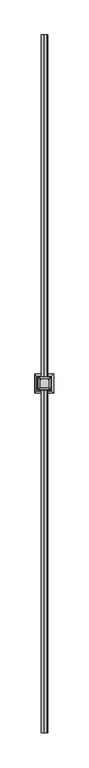
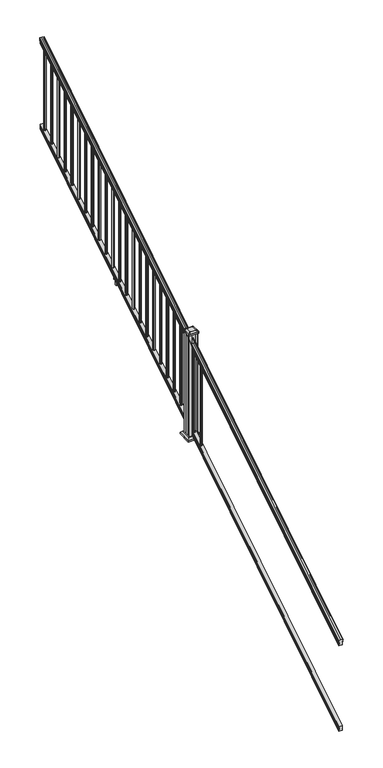
"""IFC4 building model written with IfcOpenShell, lengths in millimetres: railing geometry."""

from ifc_helpers import new_model, si_unit, point, frame, frame_2d, origin, place, context, project, spatial, polyline, circle_curve, ellipse_curve, trimmed, segment, composite_curve, outline, extrude, faceted_brep, source, transform, mapped, element, save
from ifc_brep_helpers import plane_surface, cylinder_surface, revolved_surface, extruded_surface, advanced_brep


def railing_b69a4a4c(model_context):
    return source(origin(), model_context, "Body", "SolidModel", [
        advanced_brep(
        [(7615.0270946, -16813.8194681, 1133.2070492), (7615.0270946, -16813.8194681, 1135.4335658), (7616.1572809, -16813.8194681, 1137.2758543), (7616.1572809, -16813.8194681, 1145.7876358), (7615.5080245, -16813.8194681, 1148.6572588), (7618.0080245, -16813.8194681, 1153.7635509), (7619.417367, -16813.8194681, 1155.7442021), (7619.819266, -16813.8194681, 1157.0469579), (7619.8192659, -16813.8194681, 1158.6274846), (7618.2658186, -16813.8194681, 1160.4593836), (7597.5942659, -16813.8194681, 1160.4593836), (7576.9227131, -16813.8194681, 1160.4593836), (7575.3692659, -16813.8194681, 1158.6274846), (7575.3692659, -16813.8194681, 1157.0469579), (7575.7711648, -16813.8194681, 1155.7442021), (7577.1805072, -16813.8194681, 1153.7635509), (7579.6805072, -16813.8194681, 1148.6572588), (7579.0312508, -16813.8194681, 1145.7876358), (7579.0312508, -16813.8194681, 1137.2758543), (7580.1614371, -16813.8194681, 1135.4335658), (7580.1614371, -16813.8194681, 1133.2070492), (7582.7352659, -16813.8194681, 1133.2070492), (7582.7352659, -16813.8194681, 1120.825537), (7581.7192659, -16813.8194681, 1119.6274214), (7581.7192659, -16813.8194681, 1104.9), (7613.4692659, -16813.8194681, 1104.9), (7613.4692659, -16813.8194681, 1119.441318), (7612.4532659, -16813.8194681, 1120.6394336), (7612.4532659, -16813.8194681, 1133.2070492), (7615.0270946, -11937.0194681, 4181.2070492), (7612.4532659, -11937.0194681, 4181.2070492), (7612.4532659, -11937.0194681, 4168.6394336), (7613.4692659, -11937.0194681, 4167.441318), (7613.4692659, -11937.0194681, 4152.9), (7581.7192659, -11937.0194681, 4152.9), (7581.7192659, -11937.0194681, 4167.6274214), (7582.7352659, -11937.0194681, 4168.825537), (7582.7352659, -11937.0194681, 4181.2070492), (7580.1614371, -11937.0194681, 4181.2070492), (7580.1614371, -11937.0194681, 4183.4335658), (7579.0312508, -11937.0194681, 4185.2758543), (7579.0312508, -11937.0194681, 4193.7876358), (7579.6805072, -11937.0194681, 4196.6572588), (7577.1805072, -11937.0194681, 4201.7635509), (7575.7711648, -11937.0194681, 4203.7442021), (7575.3692658, -11937.0194681, 4205.0469579), (7575.3692659, -11937.0194681, 4206.6274846), (7576.9227131, -11937.0194681, 4208.4593836), (7597.5942659, -11937.0194681, 4208.4593836), (7618.2658186, -11937.0194681, 4208.4593836), (7619.8192659, -11937.0194681, 4206.6274846), (7619.8192659, -11937.0194681, 4205.0469579), (7619.417367, -11937.0194681, 4203.7442021), (7618.0080245, -11937.0194681, 4201.7635509), (7615.5080245, -11937.0194681, 4196.6572588), (7616.1572809, -11937.0194681, 4193.7876358), (7616.1572809, -11937.0194681, 4185.2758543), (7615.0270946, -11937.0194681, 4183.4335658)],
        [
            (0, 1),
            (1, 2, ellipse_curve(frame((7608.7123413, -16813.8194681, 1142.2239405), z_axis=(0.0, -1.0, 0.0), x_axis=(0.0, 0.0, -1.0)), 10.0777926, 8.545951)),
            (2, 3, ellipse_curve(frame((7609.1494043, -16813.8194681, 1141.5317451), z_axis=(0.0, -1.0, 0.0), x_axis=(0.0, 0.0, -1.0)), 9.2955186, 7.882584)),
            (3, 4, ellipse_curve(frame((7619.6627284, -16813.8194681, 1148.4275077), z_axis=(0.0, 1.0, 0.0), x_axis=(0.0, 0.0, 1.0)), 4.9048088, 4.1592695)),
            (4, 5, ellipse_curve(frame((7620.950035, -16813.8194681, 1148.3563208), z_axis=(0.0, 1.0, 0.0), x_axis=(0.0, 0.0, 1.0)), 6.4245301, 5.4479907)),
            (5, 6, ellipse_curve(frame((7619.7168765, -16813.8194681, 1153.7602333), z_axis=(0.0, 1.0, 0.0), x_axis=(0.0, 0.0, 1.0)), 2.0151625, 1.7088543)),
            (6, 7, ellipse_curve(frame((7618.0999764, -16813.8194681, 1157.0469579), z_axis=(0.0, -1.0, 0.0), x_axis=(0.0, 0.0, -1.0)), 2.0274681, 1.7192895)),
            (7, 8),
            (8, 9, ellipse_curve(frame((7618.2658186, -16813.8194681, 1158.6274846), z_axis=(0.0, -1.0, 0.0), x_axis=(0.0, 0.0, -1.0)), 1.831899, 1.5534472)),
            (9, 10),
            (10, 11),
            (11, 12, ellipse_curve(frame((7576.9227131, -16813.8194681, 1158.6274846), z_axis=(0.0, -1.0, 0.0), x_axis=(0.0, 0.0, -1.0)), 1.831899, 1.5534472)),
            (12, 13),
            (13, 14, ellipse_curve(frame((7577.0885553, -16813.8194681, 1157.0469579), z_axis=(0.0, -1.0, 0.0), x_axis=(0.0, 0.0, -1.0)), 2.0274681, 1.7192895)),
            (14, 15, ellipse_curve(frame((7575.4716552, -16813.8194681, 1153.7602333), z_axis=(0.0, 1.0, 0.0), x_axis=(0.0, 0.0, 1.0)), 2.0151625, 1.7088543)),
            (15, 16, ellipse_curve(frame((7574.2384968, -16813.8194681, 1148.3563208), z_axis=(0.0, 1.0, 0.0), x_axis=(0.0, 0.0, 1.0)), 6.4245301, 5.4479907)),
            (16, 17, ellipse_curve(frame((7575.5258033, -16813.8194681, 1148.4275077), z_axis=(0.0, 1.0, 0.0), x_axis=(0.0, 0.0, 1.0)), 4.9048088, 4.1592695)),
            (17, 18, ellipse_curve(frame((7586.0391275, -16813.8194681, 1141.5317451), z_axis=(0.0, -1.0, 0.0), x_axis=(0.0, 0.0, -1.0)), 9.2955186, 7.882584)),
            (18, 19, ellipse_curve(frame((7586.4761904, -16813.8194681, 1142.2239405), z_axis=(0.0, -1.0, 0.0), x_axis=(0.0, 0.0, -1.0)), 10.0777926, 8.545951)),
            (19, 20),
            (20, 21, ellipse_curve(frame((7581.4483515, -16813.8194681, 1133.2070492), z_axis=(0.0, -1.0, 0.0), x_axis=(0.0, 0.0, -1.0)), 1.5175907, 1.2869144)),
            (21, 22),
            (22, 23),
            (23, 24),
            (24, 25),
            (25, 26),
            (26, 27),
            (27, 28),
            (28, 0, ellipse_curve(frame((7613.7401802, -16813.8194681, 1133.2070492), z_axis=(0.0, -1.0, 0.0), x_axis=(0.0, 0.0, -1.0)), 1.5175907, 1.2869144)),
            (29, 30, ellipse_curve(frame((7613.7401802, -11937.0194681, 4181.2070492), z_axis=(0.0, 1.0, 0.0), x_axis=(0.0, 0.0, -1.0)), 1.5175907, 1.2869144)),
            (30, 31),
            (31, 32),
            (32, 33),
            (33, 34),
            (34, 35),
            (35, 36),
            (36, 37),
            (37, 38, ellipse_curve(frame((7581.4483515, -11937.0194681, 4181.2070492), z_axis=(0.0, 1.0, 0.0), x_axis=(0.0, 0.0, -1.0)), 1.5175907, 1.2869144)),
            (38, 39),
            (39, 40, ellipse_curve(frame((7586.4761904, -11937.0194681, 4190.2239405), z_axis=(0.0, 1.0, 0.0), x_axis=(0.0, 0.0, -1.0)), 10.0777926, 8.545951)),
            (40, 41, ellipse_curve(frame((7586.0391275, -11937.0194681, 4189.5317451), z_axis=(0.0, 1.0, 0.0), x_axis=(0.0, 0.0, -1.0)), 9.2955186, 7.882584)),
            (41, 42, ellipse_curve(frame((7575.5258033, -11937.0194681, 4196.4275077), z_axis=(0.0, -1.0, 0.0), x_axis=(0.0, 0.0, 1.0)), 4.9048088, 4.1592695)),
            (42, 43, ellipse_curve(frame((7574.2384968, -11937.0194681, 4196.3563208), z_axis=(0.0, -1.0, 0.0), x_axis=(0.0, 0.0, 1.0)), 6.4245301, 5.4479907)),
            (43, 44, ellipse_curve(frame((7575.4716552, -11937.0194681, 4201.7602333), z_axis=(0.0, -1.0, 0.0), x_axis=(0.0, 0.0, 1.0)), 2.0151625, 1.7088543)),
            (44, 45, ellipse_curve(frame((7577.0885553, -11937.0194681, 4205.0469579), z_axis=(0.0, 1.0, 0.0), x_axis=(0.0, 0.0, -1.0)), 2.0274681, 1.7192895)),
            (45, 46),
            (46, 47, ellipse_curve(frame((7576.9227131, -11937.0194681, 4206.6274846), z_axis=(0.0, 1.0, 0.0), x_axis=(0.0, 0.0, -1.0)), 1.831899, 1.5534472)),
            (47, 48),
            (48, 49),
            (49, 50, ellipse_curve(frame((7618.2658186, -11937.0194681, 4206.6274846), z_axis=(0.0, 1.0, 0.0), x_axis=(0.0, 0.0, -1.0)), 1.831899, 1.5534472)),
            (50, 51),
            (51, 52, ellipse_curve(frame((7618.0999764, -11937.0194681, 4205.0469579), z_axis=(0.0, 1.0, 0.0), x_axis=(0.0, 0.0, -1.0)), 2.0274681, 1.7192895)),
            (52, 53, ellipse_curve(frame((7619.7168765, -11937.0194681, 4201.7602333), z_axis=(0.0, -1.0, 0.0), x_axis=(0.0, 0.0, 1.0)), 2.0151625, 1.7088543)),
            (53, 54, ellipse_curve(frame((7620.950035, -11937.0194681, 4196.3563208), z_axis=(0.0, -1.0, 0.0), x_axis=(0.0, 0.0, 1.0)), 6.4245301, 5.4479907)),
            (54, 55, ellipse_curve(frame((7619.6627284, -11937.0194681, 4196.4275077), z_axis=(0.0, -1.0, 0.0), x_axis=(0.0, 0.0, 1.0)), 4.9048088, 4.1592695)),
            (55, 56, ellipse_curve(frame((7609.1494043, -11937.0194681, 4189.5317451), z_axis=(0.0, 1.0, 0.0), x_axis=(0.0, 0.0, -1.0)), 9.2955186, 7.882584)),
            (56, 57, ellipse_curve(frame((7608.7123413, -11937.0194681, 4190.2239405), z_axis=(0.0, 1.0, 0.0), x_axis=(0.0, 0.0, -1.0)), 10.0777926, 8.545951)),
            (57, 29),
            (0, 29),
            (57, 1),
            (56, 2),
            (55, 3),
            (54, 4),
            (53, 5),
            (52, 6),
            (51, 7),
            (50, 8),
            (49, 9),
            (48, 10),
            (47, 11),
            (46, 12),
            (45, 13),
            (44, 14),
            (43, 15),
            (42, 16),
            (41, 17),
            (40, 18),
            (39, 19),
            (38, 20),
            (37, 21),
            (36, 22),
            (35, 23),
            (34, 24),
            (33, 25),
            (32, 26),
            (31, 27),
            (30, 28),
        ],
        [
            plane_surface(frame((7597.5942659, -16813.8194681, 1104.9), z_axis=(0.0, -1.0, 0.0), x_axis=(0.0, 0.0, 1.0))),
            plane_surface(frame((7597.5942659, -11937.0194681, 4152.9), z_axis=(0.0, 1.0, 0.0), x_axis=(0.0, 0.0, 1.0))),
            plane_surface(frame((7615.0270946, -16813.8194681, 1133.2070492), z_axis=(1.0, 0.0, 0.0), x_axis=(0.0, 0.8479983040051254, 0.5299989400031202))),
            cylinder_surface(frame((7608.7123413, -16830.5942728, 1131.7396876), z_axis=(0.0, -0.8479983040051254, -0.5299989400031202), x_axis=(-1.0, 0.0, 0.0)), 8.545951),
            cylinder_surface(frame((7609.1494043, -16830.2831737, 1131.241929), z_axis=(0.0, -0.8479983040051254, -0.5299989400031202), x_axis=(-1.0, 0.0, 0.0)), 7.882584),
            revolved_surface(polyline([(7615.5034589, -11934.815059650346, 4197.805262980553), (7615.5034589, -16816.023876549436, 1147.0497524191003)]), (7619.6627284, -16833.3823929, 1136.2006797), (0.0, 0.8479983040051254, 0.5299989400031202)),
            revolved_surface(polyline([(7615.502044299999, -11934.132038835738, 4198.160964077183), (7615.502044299999, -16816.706897352808, 1146.5516775044946)]), (7620.950035, -16833.3503988, 1136.1494891), (0.0, 0.8479983040051254, 0.5299989400031202)),
            revolved_surface(polyline([(7618.0080222, -11936.113777099781, 4202.326290199655), (7618.0080222, -16814.72515912247, 1153.1941764359544)]), (7619.7168765, -16835.7791235, 1140.0354487), (0.0, 0.8479983040051254, 0.5299989400031202)),
            cylinder_surface(frame((7618.0999764, -16837.2563031, 1142.398936), z_axis=(0.0, -0.8479983040051254, -0.5299989400031202), x_axis=(-1.0, 0.0, 0.0)), 1.7192895),
            plane_surface(frame((7619.8192659, -16813.8194681, 1157.0469579), z_axis=(1.0, 0.0, 0.0), x_axis=(0.0, 0.8479983040051253, 0.5299989400031202))),
            cylinder_surface(frame((7618.2658186, -16837.9666522, 1143.5354945), z_axis=(0.0, -0.8479983040051254, -0.5299989400031202), x_axis=(-1.0, 0.0, 0.0)), 1.5534472),
            plane_surface(frame((7618.2658186, -16813.8194681, 1160.4593836), z_axis=(0.0, -0.5299989400031202, 0.8479983040051254), x_axis=(0.0, 0.8479983040051254, 0.5299989400031202))),
            plane_surface(frame((7597.5942659, -16813.8194681, 1160.4593836), z_axis=(0.0, -0.5299989400031202, 0.8479983040051254), x_axis=(0.0, 0.8479983040051254, 0.5299989400031202))),
            cylinder_surface(frame((7576.9227131, -16837.9666522, 1143.5354945), z_axis=(0.0, -0.8479983040051254, -0.5299989400031202), x_axis=(1.0, 0.0, 0.0)), 1.5534472),
            plane_surface(frame((7575.3692659, -16813.8194681, 1158.6274846), z_axis=(-1.0, 0.0, 0.0), x_axis=(0.0, 0.8479983040051254, 0.5299989400031201))),
            cylinder_surface(frame((7577.0885553, -16837.2563031, 1142.398936), z_axis=(0.0, -0.8479983040051254, -0.5299989400031202), x_axis=(1.0, 0.0, 0.0)), 1.7192895),
            revolved_surface(polyline([(7577.1805095, -11936.113777099781, 4202.326290199655), (7577.1805095, -16814.72515912247, 1153.1941764359544)]), (7575.4716552, -16835.7791235, 1140.0354487), (0.0, 0.8479983040051254, 0.5299989400031202)),
            revolved_surface(polyline([(7579.6864875, -11934.132038835738, 4198.160964077183), (7579.6864875, -16816.706897352808, 1146.5516775044946)]), (7574.2384968, -16833.3503988, 1136.1494891), (0.0, 0.8479983040051254, 0.5299989400031202)),
            revolved_surface(polyline([(7579.6850728, -11934.815059650346, 4197.805262980553), (7579.6850728, -16816.023876549436, 1147.0497524191003)]), (7575.5258033, -16833.3823929, 1136.2006797), (0.0, 0.8479983040051254, 0.5299989400031202)),
            cylinder_surface(frame((7586.0391275, -16830.2831737, 1131.241929), z_axis=(0.0, -0.8479983040051254, -0.5299989400031202), x_axis=(1.0, 0.0, 0.0)), 7.882584),
            cylinder_surface(frame((7586.4761904, -16830.5942728, 1131.7396876), z_axis=(0.0, -0.8479983040051254, -0.5299989400031202), x_axis=(1.0, 0.0, 0.0)), 8.545951),
            plane_surface(frame((7580.1614371, -16813.8194681, 1135.4335658), z_axis=(-1.0, 0.0, 0.0), x_axis=(0.0, 0.8479983040051254, 0.5299989400031202))),
            cylinder_surface(frame((7581.4483515, -16826.5417374, 1125.2556309), z_axis=(0.0, -0.8479983040051254, -0.5299989400031202), x_axis=(1.0, 0.0, 0.0)), 1.2869144),
            plane_surface(frame((7582.7352659, -16813.8194681, 1133.2070492), z_axis=(-1.0, 0.0, 0.0), x_axis=(0.0, 0.8479983040051254, 0.5299989400031202))),
            plane_surface(frame((7582.7352659, -16813.8194681, 1120.825537), z_axis=(-0.7071067811865439, -0.3747658444978897, 0.5996253511967193), x_axis=(0.0, 0.8479983040051254, 0.5299989400031202))),
            plane_surface(frame((7581.7192659, -16813.8194681, 1119.6274214), z_axis=(-1.0, 0.0, 0.0), x_axis=(0.0, 0.8479983040051254, 0.5299989400031201))),
            plane_surface(frame((7581.7192659, -16813.8194681, 1104.9), z_axis=(0.0, 0.5299989400031202, -0.8479983040051253), x_axis=(0.0, 0.8479983040051253, 0.5299989400031202))),
            plane_surface(frame((7613.4692659, -16813.8194681, 1104.9), z_axis=(1.0, 0.0, 0.0), x_axis=(0.0, 0.8479983040051254, 0.5299989400031202))),
            plane_surface(frame((7613.4692659, -16813.8194681, 1119.441318), z_axis=(0.707106781186539, -0.3747658444978937, 0.5996253511967224), x_axis=(0.0, 0.8479983040051254, 0.5299989400031201))),
            plane_surface(frame((7612.4532659, -16813.8194681, 1120.6394336), z_axis=(1.0, 0.0, 0.0), x_axis=(0.0, 0.8479983040051254, 0.5299989400031202))),
            cylinder_surface(frame((7613.7401802, -16826.5417374, 1125.2556309), z_axis=(0.0, -0.8479983040051254, -0.5299989400031202), x_axis=(-1.0, 0.0, 0.0)), 1.2869144),
        ],
        [
            (0, [[1, 2, 3, 4, 5, 6, 7, 8, 9, 10, 11, 12, 13, 14, 15, 16, 17, 18, 19, 20, 21, 22, 23, 24, 25, 26, 27, 28, 29]]),
            (1, [[30, 31, 32, 33, 34, 35, 36, 37, 38, 39, 40, 41, 42, 43, 44, 45, 46, 47, 48, 49, 50, 51, 52, 53, 54, 55, 56, 57, 58]]),
            (2, [[-1, 59, -58, 60]]),
            (3, [[-2, -60, -57, 61]]),
            (4, [[-3, -61, -56, 62]]),
            (5, [[-4, -62, -55, 63]]),
            (6, [[-5, -63, -54, 64]]),
            (7, [[-6, -64, -53, 65]]),
            (8, [[-7, -65, -52, 66]]),
            (9, [[-8, -66, -51, 67]]),
            (10, [[-9, -67, -50, 68]]),
            (11, [[-10, -68, -49, 69]]),
            (12, [[-11, -69, -48, 70]]),
            (13, [[-12, -70, -47, 71]]),
            (14, [[-13, -71, -46, 72]]),
            (15, [[-14, -72, -45, 73]]),
            (16, [[-15, -73, -44, 74]]),
            (17, [[-16, -74, -43, 75]]),
            (18, [[-17, -75, -42, 76]]),
            (19, [[-18, -76, -41, 77]]),
            (20, [[-19, -77, -40, 78]]),
            (21, [[-20, -78, -39, 79]]),
            (22, [[-21, -79, -38, 80]]),
            (23, [[-22, -80, -37, 81]]),
            (24, [[-23, -81, -36, 82]]),
            (25, [[-24, -82, -35, 83]]),
            (26, [[-25, -83, -34, 84]]),
            (27, [[-26, -84, -33, 85]]),
            (28, [[-27, -85, -32, 86]]),
            (29, [[-28, -86, -31, 87]]),
            (30, [[-29, -87, -30, -59]]),
        ],
    ),
        faceted_brep([(7613.5067528, -16813.8194681, 268.8045079), (7612.4907528, -16813.8194681, 270.338026), (7612.4907528, -16813.8194681, 282.5545048), (7613.5067528, -16813.8194681, 284.1444579), (7613.5067528, -16813.8194681, 298.9244744), (7581.7567528, -16813.8194681, 298.9244744), (7581.7567528, -16813.8194681, 284.1248272), (7582.7727528, -16813.8194681, 282.5348741), (7582.7727528, -16813.8194681, 270.3748303), (7581.7567528, -16813.8194681, 268.7848772), (7581.7567528, -16813.8194681, 254.0), (7613.5067528, -16813.8194681, 254.0), (7613.5067528, -11937.0194681, 3316.8045079), (7613.5067528, -11937.0194681, 3302.0), (7581.7567528, -11937.0194681, 3302.0), (7581.7567528, -11937.0194681, 3316.7848772), (7582.7727528, -11937.0194681, 3318.3748303), (7582.7727528, -11937.0194681, 3330.5348741), (7581.7567528, -11937.0194681, 3332.1248272), (7581.7567528, -11937.0194681, 3346.9244744), (7613.5067528, -11937.0194681, 3346.9244744), (7613.5067528, -11937.0194681, 3332.1444579), (7612.4907528, -11937.0194681, 3330.5545048), (7612.4907528, -11937.0194681, 3318.338026)], [[[0, 1, 2, 3, 4, 5, 6, 7, 8, 9, 10, 11]], [[12, 13, 14, 15, 16, 17, 18, 19, 20, 21, 22, 23]], [[1, 0, 12, 23]], [[2, 1, 23, 22]], [[3, 2, 22, 21]], [[4, 3, 21, 20]], [[5, 4, 20, 19]], [[6, 5, 19, 18]], [[7, 6, 18, 17]], [[8, 7, 17, 16]], [[9, 8, 16, 15]], [[10, 9, 15, 14]], [[11, 10, 14, 13]], [[0, 11, 13, 12]]]),
        extrude(outline(composite_curve([segment(trimmed(circle_curve(frame_2d((7597.5942659, -11984.2634681)), 9.525), [point((7607.1192659, -11984.2634681))], [point((7597.5942659, -11993.7884681))], False, "CARTESIAN"), True, "CONTINUOUS"), segment(trimmed(circle_curve(frame_2d((7597.5942659, -11984.2634681)), 9.525), [point((7597.5942659, -11993.7884681))], [point((7588.0692659, -11984.2634681))], False, "CARTESIAN"), True, "CONTINUOUS"), segment(trimmed(circle_curve(frame_2d((7597.5942659, -11984.2634681)), 9.525), [point((7588.0692659, -11984.2634681))], [point((7597.5942659, -11974.7384681))], False, "CARTESIAN"), True, "CONTINUOUS"), segment(trimmed(circle_curve(frame_2d((7597.5942659, -11984.2634681)), 9.525), [point((7597.5942659, -11974.7384681))], [point((7607.1192659, -11984.2634681))], False, "CARTESIAN"), True, "CONTINUOUS")], self_intersect=False)), frame((0.0, 0.0, 3310.5683781), z_axis=(0.0, 0.0, 1.0), x_axis=(1.0, 0.0, 0.0)), (0.0, 0.0, 1.0), 812.8041219),
        extrude(outline(composite_curve([segment(trimmed(circle_curve(frame_2d((7597.5942659, -12095.5154681)), 9.525), [point((7607.1192659, -12095.5154681))], [point((7597.5942659, -12105.0404681))], False, "CARTESIAN"), True, "CONTINUOUS"), segment(trimmed(circle_curve(frame_2d((7597.5942659, -12095.5154681)), 9.525), [point((7597.5942659, -12105.0404681))], [point((7588.0692659, -12095.5154681))], False, "CARTESIAN"), True, "CONTINUOUS"), segment(trimmed(circle_curve(frame_2d((7597.5942659, -12095.5154681)), 9.525), [point((7588.0692659, -12095.5154681))], [point((7597.5942659, -12085.9904681))], False, "CARTESIAN"), True, "CONTINUOUS"), segment(trimmed(circle_curve(frame_2d((7597.5942659, -12095.5154681)), 9.525), [point((7597.5942659, -12085.9904681))], [point((7607.1192659, -12095.5154681))], False, "CARTESIAN"), True, "CONTINUOUS")], self_intersect=False)), frame((0.0, 0.0, 3241.0358781), z_axis=(0.0, 0.0, 1.0), x_axis=(1.0, 0.0, 0.0)), (0.0, 0.0, 1.0), 812.8041219),
        extrude(outline(composite_curve([segment(trimmed(circle_curve(frame_2d((7597.5942659, -12206.7674681)), 9.525), [point((7607.1192659, -12206.7674681))], [point((7597.5942659, -12216.2924681))], False, "CARTESIAN"), True, "CONTINUOUS"), segment(trimmed(circle_curve(frame_2d((7597.5942659, -12206.7674681)), 9.525), [point((7597.5942659, -12216.2924681))], [point((7588.0692659, -12206.7674681))], False, "CARTESIAN"), True, "CONTINUOUS"), segment(trimmed(circle_curve(frame_2d((7597.5942659, -12206.7674681)), 9.525), [point((7588.0692659, -12206.7674681))], [point((7597.5942659, -12197.2424681))], False, "CARTESIAN"), True, "CONTINUOUS"), segment(trimmed(circle_curve(frame_2d((7597.5942659, -12206.7674681)), 9.525), [point((7597.5942659, -12197.2424681))], [point((7607.1192659, -12206.7674681))], False, "CARTESIAN"), True, "CONTINUOUS")], self_intersect=False)), frame((0.0, 0.0, 3171.5033781), z_axis=(0.0, 0.0, 1.0), x_axis=(1.0, 0.0, 0.0)), (0.0, 0.0, 1.0), 812.8041219),
        extrude(outline(composite_curve([segment(trimmed(circle_curve(frame_2d((7597.5942659, -12318.0194681)), 9.525), [point((7607.1192659, -12318.0194681))], [point((7597.5942659, -12327.5444681))], False, "CARTESIAN"), True, "CONTINUOUS"), segment(trimmed(circle_curve(frame_2d((7597.5942659, -12318.0194681)), 9.525), [point((7597.5942659, -12327.5444681))], [point((7588.0692659, -12318.0194681))], False, "CARTESIAN"), True, "CONTINUOUS"), segment(trimmed(circle_curve(frame_2d((7597.5942659, -12318.0194681)), 9.525), [point((7588.0692659, -12318.0194681))], [point((7597.5942659, -12308.4944681))], False, "CARTESIAN"), True, "CONTINUOUS"), segment(trimmed(circle_curve(frame_2d((7597.5942659, -12318.0194681)), 9.525), [point((7597.5942659, -12308.4944681))], [point((7607.1192659, -12318.0194681))], False, "CARTESIAN"), True, "CONTINUOUS")], self_intersect=False)), frame((0.0, 0.0, 3101.9708781), z_axis=(0.0, 0.0, 1.0), x_axis=(1.0, 0.0, 0.0)), (0.0, 0.0, 1.0), 812.8041219),
        extrude(outline(composite_curve([segment(trimmed(circle_curve(frame_2d((7597.5942659, -12429.2714681)), 9.525), [point((7607.1192659, -12429.2714681))], [point((7597.5942659, -12438.7964681))], False, "CARTESIAN"), True, "CONTINUOUS"), segment(trimmed(circle_curve(frame_2d((7597.5942659, -12429.2714681)), 9.525), [point((7597.5942659, -12438.7964681))], [point((7588.0692659, -12429.2714681))], False, "CARTESIAN"), True, "CONTINUOUS"), segment(trimmed(circle_curve(frame_2d((7597.5942659, -12429.2714681)), 9.525), [point((7588.0692659, -12429.2714681))], [point((7597.5942659, -12419.7464681))], False, "CARTESIAN"), True, "CONTINUOUS"), segment(trimmed(circle_curve(frame_2d((7597.5942659, -12429.2714681)), 9.525), [point((7597.5942659, -12419.7464681))], [point((7607.1192659, -12429.2714681))], False, "CARTESIAN"), True, "CONTINUOUS")], self_intersect=False)), frame((0.0, 0.0, 3032.4383781), z_axis=(0.0, 0.0, 1.0), x_axis=(1.0, 0.0, 0.0)), (0.0, 0.0, 1.0), 812.8041219),
        extrude(outline(composite_curve([segment(trimmed(circle_curve(frame_2d((7597.5942659, -12540.5234681)), 9.525), [point((7607.1192659, -12540.5234681))], [point((7597.5942659, -12550.0484681))], False, "CARTESIAN"), True, "CONTINUOUS"), segment(trimmed(circle_curve(frame_2d((7597.5942659, -12540.5234681)), 9.525), [point((7597.5942659, -12550.0484681))], [point((7588.0692659, -12540.5234681))], False, "CARTESIAN"), True, "CONTINUOUS"), segment(trimmed(circle_curve(frame_2d((7597.5942659, -12540.5234681)), 9.525), [point((7588.0692659, -12540.5234681))], [point((7597.5942659, -12530.9984681))], False, "CARTESIAN"), True, "CONTINUOUS"), segment(trimmed(circle_curve(frame_2d((7597.5942659, -12540.5234681)), 9.525), [point((7597.5942659, -12530.9984681))], [point((7607.1192659, -12540.5234681))], False, "CARTESIAN"), True, "CONTINUOUS")], self_intersect=False)), frame((0.0, 0.0, 2962.9058781), z_axis=(0.0, 0.0, 1.0), x_axis=(1.0, 0.0, 0.0)), (0.0, 0.0, 1.0), 812.8041219),
        extrude(outline(composite_curve([segment(trimmed(circle_curve(frame_2d((7597.5942659, -12651.7754681)), 9.525), [point((7607.1192659, -12651.7754681))], [point((7597.5942659, -12661.3004681))], False, "CARTESIAN"), True, "CONTINUOUS"), segment(trimmed(circle_curve(frame_2d((7597.5942659, -12651.7754681)), 9.525), [point((7597.5942659, -12661.3004681))], [point((7588.0692659, -12651.7754681))], False, "CARTESIAN"), True, "CONTINUOUS"), segment(trimmed(circle_curve(frame_2d((7597.5942659, -12651.7754681)), 9.525), [point((7588.0692659, -12651.7754681))], [point((7597.5942659, -12642.2504681))], False, "CARTESIAN"), True, "CONTINUOUS"), segment(trimmed(circle_curve(frame_2d((7597.5942659, -12651.7754681)), 9.525), [point((7597.5942659, -12642.2504681))], [point((7607.1192659, -12651.7754681))], False, "CARTESIAN"), True, "CONTINUOUS")], self_intersect=False)), frame((0.0, 0.0, 2893.3733781), z_axis=(0.0, 0.0, 1.0), x_axis=(1.0, 0.0, 0.0)), (0.0, 0.0, 1.0), 812.8041219),
        extrude(outline(composite_curve([segment(trimmed(circle_curve(frame_2d((7597.5942659, -12763.0274681)), 9.525), [point((7607.1192659, -12763.0274681))], [point((7597.5942659, -12772.5524681))], False, "CARTESIAN"), True, "CONTINUOUS"), segment(trimmed(circle_curve(frame_2d((7597.5942659, -12763.0274681)), 9.525), [point((7597.5942659, -12772.5524681))], [point((7588.0692659, -12763.0274681))], False, "CARTESIAN"), True, "CONTINUOUS"), segment(trimmed(circle_curve(frame_2d((7597.5942659, -12763.0274681)), 9.525), [point((7588.0692659, -12763.0274681))], [point((7597.5942659, -12753.5024681))], False, "CARTESIAN"), True, "CONTINUOUS"), segment(trimmed(circle_curve(frame_2d((7597.5942659, -12763.0274681)), 9.525), [point((7597.5942659, -12753.5024681))], [point((7607.1192659, -12763.0274681))], False, "CARTESIAN"), True, "CONTINUOUS")], self_intersect=False)), frame((0.0, 0.0, 2823.8408781), z_axis=(0.0, 0.0, 1.0), x_axis=(1.0, 0.0, 0.0)), (0.0, 0.0, 1.0), 812.8041219),
        extrude(outline(composite_curve([segment(trimmed(circle_curve(frame_2d((7597.5942659, -12874.2794681)), 9.525), [point((7607.1192659, -12874.2794681))], [point((7597.5942659, -12883.8044681))], False, "CARTESIAN"), True, "CONTINUOUS"), segment(trimmed(circle_curve(frame_2d((7597.5942659, -12874.2794681)), 9.525), [point((7597.5942659, -12883.8044681))], [point((7588.0692659, -12874.2794681))], False, "CARTESIAN"), True, "CONTINUOUS"), segment(trimmed(circle_curve(frame_2d((7597.5942659, -12874.2794681)), 9.525), [point((7588.0692659, -12874.2794681))], [point((7597.5942659, -12864.7544681))], False, "CARTESIAN"), True, "CONTINUOUS"), segment(trimmed(circle_curve(frame_2d((7597.5942659, -12874.2794681)), 9.525), [point((7597.5942659, -12864.7544681))], [point((7607.1192659, -12874.2794681))], False, "CARTESIAN"), True, "CONTINUOUS")], self_intersect=False)), frame((0.0, 0.0, 2754.3083781), z_axis=(0.0, 0.0, 1.0), x_axis=(1.0, 0.0, 0.0)), (0.0, 0.0, 1.0), 812.8041219),
        extrude(outline(composite_curve([segment(trimmed(circle_curve(frame_2d((7597.5942659, -12985.5314681)), 9.525), [point((7607.1192659, -12985.5314681))], [point((7597.5942659, -12995.0564681))], False, "CARTESIAN"), True, "CONTINUOUS"), segment(trimmed(circle_curve(frame_2d((7597.5942659, -12985.5314681)), 9.525), [point((7597.5942659, -12995.0564681))], [point((7588.0692659, -12985.5314681))], False, "CARTESIAN"), True, "CONTINUOUS"), segment(trimmed(circle_curve(frame_2d((7597.5942659, -12985.5314681)), 9.525), [point((7588.0692659, -12985.5314681))], [point((7597.5942659, -12976.0064681))], False, "CARTESIAN"), True, "CONTINUOUS"), segment(trimmed(circle_curve(frame_2d((7597.5942659, -12985.5314681)), 9.525), [point((7597.5942659, -12976.0064681))], [point((7607.1192659, -12985.5314681))], False, "CARTESIAN"), True, "CONTINUOUS")], self_intersect=False)), frame((0.0, 0.0, 2684.7758781), z_axis=(0.0, 0.0, 1.0), x_axis=(1.0, 0.0, 0.0)), (0.0, 0.0, 1.0), 812.8041219),
        extrude(outline(composite_curve([segment(trimmed(circle_curve(frame_2d((7597.5942659, -13096.7834681)), 9.525), [point((7607.1192659, -13096.7834681))], [point((7597.5942659, -13106.3084681))], False, "CARTESIAN"), True, "CONTINUOUS"), segment(trimmed(circle_curve(frame_2d((7597.5942659, -13096.7834681)), 9.525), [point((7597.5942659, -13106.3084681))], [point((7588.0692659, -13096.7834681))], False, "CARTESIAN"), True, "CONTINUOUS"), segment(trimmed(circle_curve(frame_2d((7597.5942659, -13096.7834681)), 9.525), [point((7588.0692659, -13096.7834681))], [point((7597.5942659, -13087.2584681))], False, "CARTESIAN"), True, "CONTINUOUS"), segment(trimmed(circle_curve(frame_2d((7597.5942659, -13096.7834681)), 9.525), [point((7597.5942659, -13087.2584681))], [point((7607.1192659, -13096.7834681))], False, "CARTESIAN"), True, "CONTINUOUS")], self_intersect=False)), frame((0.0, 0.0, 2615.2433781), z_axis=(0.0, 0.0, 1.0), x_axis=(1.0, 0.0, 0.0)), (0.0, 0.0, 1.0), 812.8041219),
        extrude(outline(polyline([(2565.2203979, 7579.4332671), (2564.4583969, 7578.671266), (2537.9680023, 7578.671266), (2537.2060013, 7579.4332671), (2537.2060013, 7589.4662661), (2536.4440012, 7590.2282662), (2477.2620001, 7590.2282662), (2476.5, 7590.9902663), (2476.5, 7604.1982655), (2477.262001, 7604.9602665), (2536.4440012, 7604.9602665), (2537.2060013, 7605.7222666), (2537.2060013, 7615.7552657), (2537.9680023, 7616.5172667), (2564.4583969, 7616.5172667), (2565.2203979, 7615.7552657), (2565.2203979, 7613.7232661), (2564.2043953, 7612.7072663), (2553.7686081, 7612.7072663), (2552.7526073, 7613.7232661), (2540.762001, 7613.7232661), (2540.0000019, 7612.9612669), (2540.0000019, 7582.2272658), (2540.762001, 7581.4652666), (2552.7526073, 7581.4652666), (2553.7686081, 7582.4812664), (2564.2043953, 7582.4812664), (2565.2203979, 7581.4652666), (2565.2203979, 7579.4332671)]), holes=[polyline([(2537.2060013, 7601.0232663), (2536.4440012, 7601.7852663), (2480.4370031, 7601.7852663), (2479.6750031, 7601.0232663), (2479.6750031, 7594.1652636), (2480.4370003, 7593.4032664), (2536.4440012, 7593.4032664), (2537.2060013, 7594.1652665), (2537.2060013, 7601.0232663)])]), frame((0.0, -13159.7754681, 0.0), z_axis=(0.0, 1.0, 0.0), x_axis=(0.0, 0.0, 1.0)), (0.0, 0.0, 1.0), 14.732),
        extrude(outline(composite_curve([segment(trimmed(circle_curve(frame_2d((7597.5942659, -13208.0354681)), 9.525), [point((7607.1192659, -13208.0354681))], [point((7597.5942659, -13217.5604681))], False, "CARTESIAN"), True, "CONTINUOUS"), segment(trimmed(circle_curve(frame_2d((7597.5942659, -13208.0354681)), 9.525), [point((7597.5942659, -13217.5604681))], [point((7588.0692659, -13208.0354681))], False, "CARTESIAN"), True, "CONTINUOUS"), segment(trimmed(circle_curve(frame_2d((7597.5942659, -13208.0354681)), 9.525), [point((7588.0692659, -13208.0354681))], [point((7597.5942659, -13198.5104681))], False, "CARTESIAN"), True, "CONTINUOUS"), segment(trimmed(circle_curve(frame_2d((7597.5942659, -13208.0354681)), 9.525), [point((7597.5942659, -13198.5104681))], [point((7607.1192659, -13208.0354681))], False, "CARTESIAN"), True, "CONTINUOUS")], self_intersect=False)), frame((0.0, 0.0, 2545.7108781), z_axis=(0.0, 0.0, 1.0), x_axis=(1.0, 0.0, 0.0)), (0.0, 0.0, 1.0), 812.8041219),
        extrude(outline(composite_curve([segment(trimmed(circle_curve(frame_2d((7597.5942659, -13319.2874681)), 9.525), [point((7607.1192659, -13319.2874681))], [point((7597.5942659, -13328.8124681))], False, "CARTESIAN"), True, "CONTINUOUS"), segment(trimmed(circle_curve(frame_2d((7597.5942659, -13319.2874681)), 9.525), [point((7597.5942659, -13328.8124681))], [point((7588.0692659, -13319.2874681))], False, "CARTESIAN"), True, "CONTINUOUS"), segment(trimmed(circle_curve(frame_2d((7597.5942659, -13319.2874681)), 9.525), [point((7588.0692659, -13319.2874681))], [point((7597.5942659, -13309.7624681))], False, "CARTESIAN"), True, "CONTINUOUS"), segment(trimmed(circle_curve(frame_2d((7597.5942659, -13319.2874681)), 9.525), [point((7597.5942659, -13309.7624681))], [point((7607.1192659, -13319.2874681))], False, "CARTESIAN"), True, "CONTINUOUS")], self_intersect=False)), frame((0.0, 0.0, 2476.1783781), z_axis=(0.0, 0.0, 1.0), x_axis=(1.0, 0.0, 0.0)), (0.0, 0.0, 1.0), 812.8041219),
        extrude(outline(composite_curve([segment(trimmed(circle_curve(frame_2d((7597.5942659, -13430.5394681)), 9.525), [point((7607.1192659, -13430.5394681))], [point((7597.5942659, -13440.0644681))], False, "CARTESIAN"), True, "CONTINUOUS"), segment(trimmed(circle_curve(frame_2d((7597.5942659, -13430.5394681)), 9.525), [point((7597.5942659, -13440.0644681))], [point((7588.0692659, -13430.5394681))], False, "CARTESIAN"), True, "CONTINUOUS"), segment(trimmed(circle_curve(frame_2d((7597.5942659, -13430.5394681)), 9.525), [point((7588.0692659, -13430.5394681))], [point((7597.5942659, -13421.0144681))], False, "CARTESIAN"), True, "CONTINUOUS"), segment(trimmed(circle_curve(frame_2d((7597.5942659, -13430.5394681)), 9.525), [point((7597.5942659, -13421.0144681))], [point((7607.1192659, -13430.5394681))], False, "CARTESIAN"), True, "CONTINUOUS")], self_intersect=False)), frame((0.0, 0.0, 2406.6458781), z_axis=(0.0, 0.0, 1.0), x_axis=(1.0, 0.0, 0.0)), (0.0, 0.0, 1.0), 812.8041219),
        extrude(outline(composite_curve([segment(trimmed(circle_curve(frame_2d((7597.5942659, -13541.7914681)), 9.525), [point((7607.1192659, -13541.7914681))], [point((7597.5942659, -13551.3164681))], False, "CARTESIAN"), True, "CONTINUOUS"), segment(trimmed(circle_curve(frame_2d((7597.5942659, -13541.7914681)), 9.525), [point((7597.5942659, -13551.3164681))], [point((7588.0692659, -13541.7914681))], False, "CARTESIAN"), True, "CONTINUOUS"), segment(trimmed(circle_curve(frame_2d((7597.5942659, -13541.7914681)), 9.525), [point((7588.0692659, -13541.7914681))], [point((7597.5942659, -13532.2664681))], False, "CARTESIAN"), True, "CONTINUOUS"), segment(trimmed(circle_curve(frame_2d((7597.5942659, -13541.7914681)), 9.525), [point((7597.5942659, -13532.2664681))], [point((7607.1192659, -13541.7914681))], False, "CARTESIAN"), True, "CONTINUOUS")], self_intersect=False)), frame((0.0, 0.0, 2337.1133781), z_axis=(0.0, 0.0, 1.0), x_axis=(1.0, 0.0, 0.0)), (0.0, 0.0, 1.0), 812.8041219),
        extrude(outline(composite_curve([segment(trimmed(circle_curve(frame_2d((7597.5942659, -13653.0434681)), 9.525), [point((7607.1192659, -13653.0434681))], [point((7597.5942659, -13662.5684681))], False, "CARTESIAN"), True, "CONTINUOUS"), segment(trimmed(circle_curve(frame_2d((7597.5942659, -13653.0434681)), 9.525), [point((7597.5942659, -13662.5684681))], [point((7588.0692659, -13653.0434681))], False, "CARTESIAN"), True, "CONTINUOUS"), segment(trimmed(circle_curve(frame_2d((7597.5942659, -13653.0434681)), 9.525), [point((7588.0692659, -13653.0434681))], [point((7597.5942659, -13643.5184681))], False, "CARTESIAN"), True, "CONTINUOUS"), segment(trimmed(circle_curve(frame_2d((7597.5942659, -13653.0434681)), 9.525), [point((7597.5942659, -13643.5184681))], [point((7607.1192659, -13653.0434681))], False, "CARTESIAN"), True, "CONTINUOUS")], self_intersect=False)), frame((0.0, 0.0, 2267.5808781), z_axis=(0.0, 0.0, 1.0), x_axis=(1.0, 0.0, 0.0)), (0.0, 0.0, 1.0), 812.8041219),
        extrude(outline(composite_curve([segment(trimmed(circle_curve(frame_2d((7597.5942659, -13764.2954681)), 9.525), [point((7607.1192659, -13764.2954681))], [point((7597.5942659, -13773.8204681))], False, "CARTESIAN"), True, "CONTINUOUS"), segment(trimmed(circle_curve(frame_2d((7597.5942659, -13764.2954681)), 9.525), [point((7597.5942659, -13773.8204681))], [point((7588.0692659, -13764.2954681))], False, "CARTESIAN"), True, "CONTINUOUS"), segment(trimmed(circle_curve(frame_2d((7597.5942659, -13764.2954681)), 9.525), [point((7588.0692659, -13764.2954681))], [point((7597.5942659, -13754.7704681))], False, "CARTESIAN"), True, "CONTINUOUS"), segment(trimmed(circle_curve(frame_2d((7597.5942659, -13764.2954681)), 9.525), [point((7597.5942659, -13754.7704681))], [point((7607.1192659, -13764.2954681))], False, "CARTESIAN"), True, "CONTINUOUS")], self_intersect=False)), frame((0.0, 0.0, 2198.0483781), z_axis=(0.0, 0.0, 1.0), x_axis=(1.0, 0.0, 0.0)), (0.0, 0.0, 1.0), 812.8041219),
        extrude(outline(composite_curve([segment(trimmed(circle_curve(frame_2d((7597.5942659, -13875.5474681)), 9.525), [point((7607.1192659, -13875.5474681))], [point((7597.5942659, -13885.0724681))], False, "CARTESIAN"), True, "CONTINUOUS"), segment(trimmed(circle_curve(frame_2d((7597.5942659, -13875.5474681)), 9.525), [point((7597.5942659, -13885.0724681))], [point((7588.0692659, -13875.5474681))], False, "CARTESIAN"), True, "CONTINUOUS"), segment(trimmed(circle_curve(frame_2d((7597.5942659, -13875.5474681)), 9.525), [point((7588.0692659, -13875.5474681))], [point((7597.5942659, -13866.0224681))], False, "CARTESIAN"), True, "CONTINUOUS"), segment(trimmed(circle_curve(frame_2d((7597.5942659, -13875.5474681)), 9.525), [point((7597.5942659, -13866.0224681))], [point((7607.1192659, -13875.5474681))], False, "CARTESIAN"), True, "CONTINUOUS")], self_intersect=False)), frame((0.0, 0.0, 2128.5158781), z_axis=(0.0, 0.0, 1.0), x_axis=(1.0, 0.0, 0.0)), (0.0, 0.0, 1.0), 812.8041219),
        extrude(outline(composite_curve([segment(trimmed(circle_curve(frame_2d((7597.5942659, -13986.7994681)), 9.525), [point((7607.1192659, -13986.7994681))], [point((7597.5942659, -13996.3244681))], False, "CARTESIAN"), True, "CONTINUOUS"), segment(trimmed(circle_curve(frame_2d((7597.5942659, -13986.7994681)), 9.525), [point((7597.5942659, -13996.3244681))], [point((7588.0692659, -13986.7994681))], False, "CARTESIAN"), True, "CONTINUOUS"), segment(trimmed(circle_curve(frame_2d((7597.5942659, -13986.7994681)), 9.525), [point((7588.0692659, -13986.7994681))], [point((7597.5942659, -13977.2744681))], False, "CARTESIAN"), True, "CONTINUOUS"), segment(trimmed(circle_curve(frame_2d((7597.5942659, -13986.7994681)), 9.525), [point((7597.5942659, -13977.2744681))], [point((7607.1192659, -13986.7994681))], False, "CARTESIAN"), True, "CONTINUOUS")], self_intersect=False)), frame((0.0, 0.0, 2058.9833781), z_axis=(0.0, 0.0, 1.0), x_axis=(1.0, 0.0, 0.0)), (0.0, 0.0, 1.0), 812.8041219),
        extrude(outline(composite_curve([segment(trimmed(circle_curve(frame_2d((7597.5942659, -14098.0514681)), 9.525), [point((7607.1192659, -14098.0514681))], [point((7597.5942659, -14107.5764681))], False, "CARTESIAN"), True, "CONTINUOUS"), segment(trimmed(circle_curve(frame_2d((7597.5942659, -14098.0514681)), 9.525), [point((7597.5942659, -14107.5764681))], [point((7588.0692659, -14098.0514681))], False, "CARTESIAN"), True, "CONTINUOUS"), segment(trimmed(circle_curve(frame_2d((7597.5942659, -14098.0514681)), 9.525), [point((7588.0692659, -14098.0514681))], [point((7597.5942659, -14088.5264681))], False, "CARTESIAN"), True, "CONTINUOUS"), segment(trimmed(circle_curve(frame_2d((7597.5942659, -14098.0514681)), 9.525), [point((7597.5942659, -14088.5264681))], [point((7607.1192659, -14098.0514681))], False, "CARTESIAN"), True, "CONTINUOUS")], self_intersect=False)), frame((0.0, 0.0, 1989.4508781), z_axis=(0.0, 0.0, 1.0), x_axis=(1.0, 0.0, 0.0)), (0.0, 0.0, 1.0), 812.8041219),
        extrude(outline(composite_curve([segment(trimmed(circle_curve(frame_2d((7597.5942659, -14209.3034681)), 9.525), [point((7607.1192659, -14209.3034681))], [point((7597.5942659, -14218.8284681))], False, "CARTESIAN"), True, "CONTINUOUS"), segment(trimmed(circle_curve(frame_2d((7597.5942659, -14209.3034681)), 9.525), [point((7597.5942659, -14218.8284681))], [point((7588.0692659, -14209.3034681))], False, "CARTESIAN"), True, "CONTINUOUS"), segment(trimmed(circle_curve(frame_2d((7597.5942659, -14209.3034681)), 9.525), [point((7588.0692659, -14209.3034681))], [point((7597.5942659, -14199.7784681))], False, "CARTESIAN"), True, "CONTINUOUS"), segment(trimmed(circle_curve(frame_2d((7597.5942659, -14209.3034681)), 9.525), [point((7597.5942659, -14199.7784681))], [point((7607.1192659, -14209.3034681))], False, "CARTESIAN"), True, "CONTINUOUS")], self_intersect=False)), frame((0.0, 0.0, 1919.9183781), z_axis=(0.0, 0.0, 1.0), x_axis=(1.0, 0.0, 0.0)), (0.0, 0.0, 1.0), 812.8041219),
        extrude(outline(composite_curve([segment(trimmed(circle_curve(frame_2d((7597.5942659, -14320.5554681)), 9.525), [point((7607.1192659, -14320.5554681))], [point((7597.5942659, -14330.0804681))], False, "CARTESIAN"), True, "CONTINUOUS"), segment(trimmed(circle_curve(frame_2d((7597.5942659, -14320.5554681)), 9.525), [point((7597.5942659, -14330.0804681))], [point((7588.0692659, -14320.5554681))], False, "CARTESIAN"), True, "CONTINUOUS"), segment(trimmed(circle_curve(frame_2d((7597.5942659, -14320.5554681)), 9.525), [point((7588.0692659, -14320.5554681))], [point((7597.5942659, -14311.0304681))], False, "CARTESIAN"), True, "CONTINUOUS"), segment(trimmed(circle_curve(frame_2d((7597.5942659, -14320.5554681)), 9.525), [point((7597.5942659, -14311.0304681))], [point((7607.1192659, -14320.5554681))], False, "CARTESIAN"), True, "CONTINUOUS")], self_intersect=False)), frame((0.0, 0.0, 1850.3858781), z_axis=(0.0, 0.0, 1.0), x_axis=(1.0, 0.0, 0.0)), (0.0, 0.0, 1.0), 812.8041219),
        faceted_brep([(7650.1802034, -14425.4654056, 1743.075), (7650.1802034, -14320.2935306, 1743.075), (7545.0083284, -14320.2935306, 1743.075), (7545.0083284, -14425.4654056, 1743.075), (7664.2196565, -14439.5048587, 1729.74), (7530.9688753, -14439.5048587, 1729.74), (7530.9688753, -14306.2540775, 1729.74), (7664.2196565, -14306.2540775, 1729.74)], [[[0, 1, 2, 3]], [[4, 5, 6, 7]], [[4, 0, 3, 5]], [[5, 3, 2, 6]], [[6, 2, 1, 7]], [[7, 1, 0, 4]]]),
        extrude(outline(polyline([(7664.2196565, -14439.5048587), (7530.9688753, -14439.5048587), (7530.9688753, -14306.2540775), (7664.2196565, -14306.2540775), (7664.2196565, -14439.5048587)])), frame((0.0, 0.0, 1714.5), z_axis=(0.0, 0.0, 1.0), x_axis=(1.0, 0.0, 0.0)), (0.0, 0.0, 1.0), 15.24),
        advanced_brep(
        [(7571.7973909, -14401.8513431, 2776.026763), (7623.3911409, -14401.8513431, 2776.026763), (7626.5661409, -14398.6763431, 2776.026763), (7626.5661409, -14347.0825931, 2776.026763), (7623.3911409, -14343.9075931, 2776.026763), (7571.7973909, -14343.9075931, 2776.026763), (7568.6223909, -14347.0825931, 2776.026763), (7568.6223909, -14398.6763431, 2776.026763), (7555.5255159, -14418.1232181, 2764.723763), (7552.3505159, -14414.9482181, 2764.723763), (7552.3505159, -14330.8107181, 2764.723763), (7555.5255159, -14327.6357181, 2764.723763), (7639.6630159, -14327.6357181, 2764.723763), (7642.8380159, -14330.8107181, 2764.723763), (7642.8380159, -14414.9482181, 2764.723763), (7639.6630159, -14418.1232181, 2764.723763)],
        [
            (0, 1),
            (1, 2, circle_curve(frame((7623.3911409, -14398.6763431, 2776.026763), z_axis=(0.0, 0.0, 1.0), x_axis=(0.0, 1.0, 0.0)), 3.175)),
            (2, 3),
            (3, 4, circle_curve(frame((7623.3911409, -14347.0825931, 2776.026763), z_axis=(0.0, 0.0, 1.0), x_axis=(0.0, 1.0, 0.0)), 3.175)),
            (4, 5),
            (5, 6, circle_curve(frame((7571.7973909, -14347.0825931, 2776.026763), z_axis=(0.0, 0.0, 1.0), x_axis=(0.0, 1.0, 0.0)), 3.175)),
            (6, 7),
            (7, 0, circle_curve(frame((7571.7973909, -14398.6763431, 2776.026763), z_axis=(0.0, 0.0, 1.0), x_axis=(0.0, 1.0, 0.0)), 3.175)),
            (8, 9, circle_curve(frame((7555.5255159, -14414.9482181, 2764.723763), z_axis=(0.0, 0.0, -1.0), x_axis=(0.0, 1.0, 0.0)), 3.175)),
            (9, 10),
            (10, 11, circle_curve(frame((7555.5255159, -14330.8107181, 2764.723763), z_axis=(0.0, 0.0, -1.0), x_axis=(0.0, 1.0, 0.0)), 3.175)),
            (11, 12),
            (12, 13, circle_curve(frame((7639.6630159, -14330.8107181, 2764.723763), z_axis=(0.0, 0.0, -1.0), x_axis=(0.0, 1.0, 0.0)), 3.175)),
            (13, 14),
            (14, 15, circle_curve(frame((7639.6630159, -14414.9482181, 2764.723763), z_axis=(0.0, 0.0, -1.0), x_axis=(0.0, 1.0, 0.0)), 3.175)),
            (15, 8),
            (8, 0),
            (7, 9),
            (6, 10),
            (5, 11),
            (4, 12),
            (3, 13),
            (2, 14),
            (1, 15),
        ],
        [
            plane_surface(frame((7597.5942659, -14372.8794681, 2776.026763), z_axis=(0.0, 0.0, 1.0), x_axis=(-1.0, 0.0, 0.0))),
            plane_surface(frame((7597.5942659, -14372.8794681, 2764.723763), z_axis=(0.0, 0.0, -1.0), x_axis=(-1.0, 0.0, 0.0))),
            extruded_surface(trimmed(circle_curve(frame((7571.7973909, -14398.6763431, 2776.026763), z_axis=(0.0, 0.0, -1.0), x_axis=(0.0, 1.0, 0.0)), 3.175), [point((7571.7973909, -14401.8513431, 2776.026763))], [point((7568.6223909, -14398.6763431, 2776.026763))], True, "CARTESIAN"), (-16.271875000000364, -16.271875000000364, -11.302999999999884), 25.63797263886657),
            plane_surface(frame((7552.3505159, -14372.8794681, 2764.723763), z_axis=(-0.5705009161540778, 0.0, 0.8212969649690408), x_axis=(0.0, 1.0, 0.0))),
            extruded_surface(trimmed(circle_curve(frame((7571.7973909, -14347.0825931, 2776.026763), z_axis=(0.0, 0.0, -1.0), x_axis=(0.0, 1.0, 0.0)), 3.175), [point((7568.6223909, -14347.0825931, 2776.026763))], [point((7571.7973909, -14343.9075931, 2776.026763))], True, "CARTESIAN"), (-16.271875000000364, 16.271875000000364, -11.302999999999884), 25.63797263886657),
            plane_surface(frame((7597.5942659, -14327.6357181, 2764.723763), z_axis=(0.0, 0.5705009161540291, 0.8212969649690747), x_axis=(1.0, 0.0, 0.0))),
            extruded_surface(trimmed(circle_curve(frame((7623.3911409, -14347.0825931, 2776.026763), z_axis=(0.0, 0.0, -1.0), x_axis=(0.0, 1.0, 0.0)), 3.175), [point((7623.3911409, -14343.9075931, 2776.026763))], [point((7626.5661409, -14347.0825931, 2776.026763))], True, "CARTESIAN"), (16.271874999999454, 16.271875000000364, -11.302999999999884), 25.637972638865996),
            plane_surface(frame((7642.8380159, -14372.8794681, 2764.723763), z_axis=(0.5705009161540142, 0.0, 0.8212969649690851), x_axis=(0.0, -1.0, 0.0))),
            extruded_surface(trimmed(circle_curve(frame((7623.3911409, -14398.6763431, 2776.026763), z_axis=(0.0, 0.0, -1.0), x_axis=(0.0, 1.0, 0.0)), 3.175), [point((7626.5661409, -14398.6763431, 2776.026763))], [point((7623.3911409, -14401.8513431, 2776.026763))], True, "CARTESIAN"), (16.271874999999454, -16.271875000000364, -11.302999999999884), 25.637972638865996),
            plane_surface(frame((7597.5942659, -14418.1232181, 2764.723763), z_axis=(0.0, -0.570500916154034, 0.8212969649690713), x_axis=(-1.0, 0.0, 0.0))),
        ],
        [
            (0, [[1, 2, 3, 4, 5, 6, 7, 8]]),
            (1, [[9, 10, 11, 12, 13, 14, 15, 16]]),
            (2, [[17, -8, 18, -9]]),
            (3, [[-18, -7, 19, -10]]),
            (4, [[-19, -6, 20, -11]]),
            (5, [[-20, -5, 21, -12]]),
            (6, [[-21, -4, 22, -13]]),
            (7, [[-22, -3, 23, -14]]),
            (8, [[-23, -2, 24, -15]]),
            (9, [[-24, -1, -17, -16]]),
        ],
    ),
        extrude(outline(composite_curve([segment(trimmed(circle_curve(frame_2d((7555.5255159, -14414.9482181)), 3.175), [point((7555.5255159, -14418.1232181))], [point((7552.3505159, -14414.9482181))], False, "CARTESIAN"), True, "CONTINUOUS"), segment(polyline([(7552.3505159, -14414.9482181), (7552.3505159, -14330.8107181)]), True, "CONTINUOUS"), segment(trimmed(circle_curve(frame_2d((7555.5255159, -14330.8107181)), 3.175), [point((7552.3505159, -14330.8107181))], [point((7555.5255159, -14327.6357181))], False, "CARTESIAN"), True, "CONTINUOUS"), segment(polyline([(7555.5255159, -14327.6357181), (7639.6630159, -14327.6357181)]), True, "CONTINUOUS"), segment(trimmed(circle_curve(frame_2d((7639.6630159, -14330.8107181)), 3.175), [point((7639.6630159, -14327.6357181))], [point((7642.8380159, -14330.8107181))], False, "CARTESIAN"), True, "CONTINUOUS"), segment(polyline([(7642.8380159, -14330.8107181), (7642.8380159, -14414.9482181)]), True, "CONTINUOUS"), segment(trimmed(circle_curve(frame_2d((7639.6630159, -14414.9482181)), 3.175), [point((7642.8380159, -14414.9482181))], [point((7639.6630159, -14418.1232181))], False, "CARTESIAN"), True, "CONTINUOUS"), segment(polyline([(7639.6630159, -14418.1232181), (7555.5255159, -14418.1232181)]), True, "CONTINUOUS")], self_intersect=False)), frame((0.0, 0.0, 2747.451763), z_axis=(0.0, 0.0, 1.0), x_axis=(1.0, 0.0, 0.0)), (0.0, 0.0, 1.0), 17.272),
        extrude(outline(polyline([(7557.9067659, -14414.1544681), (7556.3192659, -14412.5669681), (7556.3192659, -14392.9454681), (7557.9067659, -14392.1834681), (7557.9067659, -14353.5754681), (7556.3192659, -14352.8134681), (7556.3192659, -14333.1919681), (7557.9067659, -14331.6044681), (7577.5282659, -14331.6044681), (7578.2902659, -14333.1919681), (7616.8982659, -14333.1919681), (7617.6602659, -14331.6044681), (7637.2817659, -14331.6044681), (7638.8692659, -14333.1919681), (7638.8692659, -14352.8134681), (7637.2817659, -14353.5754681), (7637.2817659, -14392.1834681), (7638.8692659, -14392.9454681), (7638.8692659, -14412.5669681), (7637.2817659, -14414.1544681), (7617.6602659, -14414.1544681), (7616.8982659, -14412.5669681), (7578.2902659, -14412.5669681), (7577.5282659, -14414.1544681), (7557.9067659, -14414.1544681)])), frame((0.0, 0.0, 1714.5), z_axis=(0.0, 0.0, 1.0), x_axis=(1.0, 0.0, 0.0)), (0.0, 0.0, 1.0), 1032.951763),
        extrude(outline(composite_curve([segment(trimmed(circle_curve(frame_2d((7597.5942659, -14425.2034681)), 9.525), [point((7607.1192659, -14425.2034681))], [point((7597.5942659, -14434.7284681))], False, "CARTESIAN"), True, "CONTINUOUS"), segment(trimmed(circle_curve(frame_2d((7597.5942659, -14425.2034681)), 9.525), [point((7597.5942659, -14434.7284681))], [point((7588.0692659, -14425.2034681))], False, "CARTESIAN"), True, "CONTINUOUS"), segment(trimmed(circle_curve(frame_2d((7597.5942659, -14425.2034681)), 9.525), [point((7588.0692659, -14425.2034681))], [point((7597.5942659, -14415.6784681))], False, "CARTESIAN"), True, "CONTINUOUS"), segment(trimmed(circle_curve(frame_2d((7597.5942659, -14425.2034681)), 9.525), [point((7597.5942659, -14415.6784681))], [point((7607.1192659, -14425.2034681))], False, "CARTESIAN"), True, "CONTINUOUS")], self_intersect=False)), frame((0.0, 0.0, 1784.9808781), z_axis=(0.0, 0.0, 1.0), x_axis=(1.0, 0.0, 0.0)), (0.0, 0.0, 1.0), 812.8041219),
        extrude(outline(composite_curve([segment(trimmed(circle_curve(frame_2d((7597.5942659, -14536.4554681)), 9.525), [point((7607.1192659, -14536.4554681))], [point((7597.5942659, -14545.9804681))], False, "CARTESIAN"), True, "CONTINUOUS"), segment(trimmed(circle_curve(frame_2d((7597.5942659, -14536.4554681)), 9.525), [point((7597.5942659, -14545.9804681))], [point((7588.0692659, -14536.4554681))], False, "CARTESIAN"), True, "CONTINUOUS"), segment(trimmed(circle_curve(frame_2d((7597.5942659, -14536.4554681)), 9.525), [point((7588.0692659, -14536.4554681))], [point((7597.5942659, -14526.9304681))], False, "CARTESIAN"), True, "CONTINUOUS"), segment(trimmed(circle_curve(frame_2d((7597.5942659, -14536.4554681)), 9.525), [point((7597.5942659, -14526.9304681))], [point((7607.1192659, -14536.4554681))], False, "CARTESIAN"), True, "CONTINUOUS")], self_intersect=False)), frame((0.0, 0.0, 1715.4483781), z_axis=(0.0, 0.0, 1.0), x_axis=(1.0, 0.0, 0.0)), (0.0, 0.0, 1.0), 812.8041219),
    ])


if __name__ == "__main__":
    model = new_model("IFC4")
    model_context = context("Model", 3, world=origin())
    ifc_project = project(units=[si_unit("LENGTHUNIT", "METRE", prefix="MILLI")], contexts=[model_context])
    site = spatial("IfcSite", under=ifc_project)
    building = spatial("IfcBuilding", under=site)
    placement = place(None, origin())
    railing_shape = railing_b69a4a4c(model_context)
    element("IfcRailing", 1, at=placement, inside=building, context=model_context, shape_type="MappedRepresentation", body=[
        mapped(railing_shape, transform((0.0, 0.0, 0.0), x_axis=(1.0, 0.0, 0.0), y_axis=(0.0, 1.0, 0.0), z_axis=(0.0, 0.0, 1.0))),
    ])
    save(model, "model.ifc")
